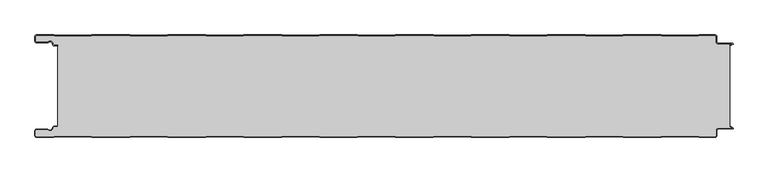
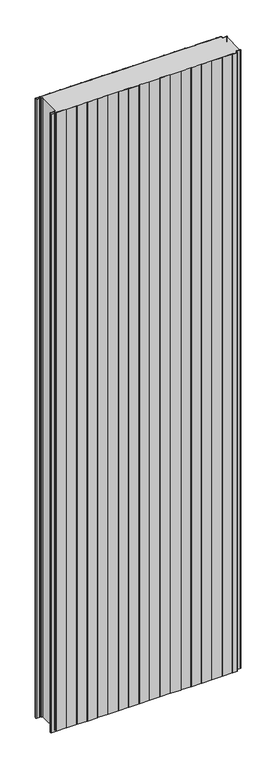
"""IFC4 building model written with IfcOpenShell, lengths in millimetres: plate geometry."""

import ifcopenshell
import ifcopenshell.guid

model = None  # the IFC model being written
_history = None  # IfcOwnerHistory: only IFC2X3 demands one
_inside = {}  # id of a spatial element -> (the spatial element, [elements in it])
_under = {}  # id of a project, library or spatial element -> (it, [spatial elements below it])
_declared = {}  # id of a project -> (the project, [libraries it declares])
_typed = {}  # id of a type object -> (the type object, [elements of that type])
_made_of = {}  # id of a material, layer set ... -> (it, [elements and type objects made of it])


def new_model(schema):
    """Start an empty IFC model of exactly this schema.

    Asked for "IFC4X3", IfcOpenShell would pick the latest addendum, in which some entities
    have other attributes; the version numbers below select the first issue.
    IFC2X3 requires an IfcOwnerHistory on every rooted entity: one is made here for all.
    """
    global model, _history
    if schema == "IFC4X3":
        model = ifcopenshell.file(schema_version=(4, 3, 0, 0))
    else:
        model = ifcopenshell.file(schema=schema)
    _inside.clear()
    _under.clear()
    _declared.clear()
    _typed.clear()
    _made_of.clear()
    _history = None
    if model.schema == "IFC2X3":
        org = make("IfcOrganization", Name="unknown")
        user = make(
            "IfcPersonAndOrganization",
            ThePerson=make("IfcPerson", FamilyName="unknown"),
            TheOrganization=org,
        )
        app = make(
            "IfcApplication",
            ApplicationDeveloper=org,
            Version="unknown",
            ApplicationFullName="unknown",
            ApplicationIdentifier="unknown",
        )
        _history = make(
            "IfcOwnerHistory",
            OwningUser=user,
            OwningApplication=app,
            ChangeAction="ADDED",
            CreationDate=0,
        )
    return model


def make(cls, **values):
    """One entity of the class cls with the attributes given. An attribute that is None is left unset."""
    return model.create_entity(
        cls, **{name: value for name, value in values.items() if value is not None}
    )


def rooted(cls, **values):
    """An entity with a GlobalId (a new one), such as an element, a storey or a relation."""
    return make(cls, GlobalId=ifcopenshell.guid.new(), OwnerHistory=_history, **values)


def si_unit(unit_type, name, prefix=None):
    """IfcSIUnit, for example si_unit("LENGTHUNIT", "METRE", prefix="MILLI")."""
    return make("IfcSIUnit", UnitType=unit_type, Prefix=prefix, Name=name)


def assignment(units):
    """IfcUnitAssignment: the units of a project."""
    return None if units is None else make("IfcUnitAssignment", Units=units)


def point(xyz):
    """IfcCartesianPoint."""
    return None if xyz is None else make("IfcCartesianPoint", Coordinates=xyz)


def direction(xyz):
    """IfcDirection."""
    return None if xyz is None else make("IfcDirection", DirectionRatios=xyz)


def frame(location, z_axis=None, x_axis=None):
    """IfcAxis2Placement3D, a coordinate frame: its origin and axes. An axis left out is left unset."""
    return make(
        "IfcAxis2Placement3D",
        Location=point(location),
        Axis=direction(z_axis),
        RefDirection=direction(x_axis),
    )


def frame_2d(location, x_axis=None):
    """IfcAxis2Placement2D, a coordinate frame in the plane: its origin and x axis."""
    return make(
        "IfcAxis2Placement2D", Location=point(location), RefDirection=direction(x_axis)
    )


def origin():
    """The frame at (0, 0, 0) with its axes left unset."""
    return frame((0.0, 0.0, 0.0))


def origin_with_axes():
    """The frame at (0, 0, 0) with the z axis (0, 0, 1) and the x axis (1, 0, 0) written out."""
    return frame((0.0, 0.0, 0.0), z_axis=(0.0, 0.0, 1.0), x_axis=(1.0, 0.0, 0.0))


def place(relative_to, where):
    """IfcLocalPlacement: puts the frame where relative to a parent placement (None: the world)."""
    return make(
        "IfcLocalPlacement", PlacementRelTo=relative_to, RelativePlacement=where
    )


def context(
    kind, dimensions, precision=None, world=None, true_north=None, identifier=None
):
    """IfcGeometricRepresentationContext, for example the 3D "Model" context."""
    return make(
        "IfcGeometricRepresentationContext",
        ContextIdentifier=identifier,
        ContextType=kind,
        CoordinateSpaceDimension=dimensions,
        Precision=precision,
        WorldCoordinateSystem=world,
        TrueNorth=true_north,
    )


def project(units=None, contexts=None):
    """IfcProject with its units and contexts."""
    return rooted(
        "IfcProject",
        Name="project",
        RepresentationContexts=contexts,
        UnitsInContext=assignment(units),
    )


def spatial(cls, under=None, at=None, **own):
    """A site, building, storey or space (cls), placed at a placement, below another one or the project."""
    s = rooted(cls, ObjectPlacement=at, **own)
    if under is not None:
        _under.setdefault(under.id(), (under, []))[1].append(s)
    return s


def polyline(points):
    """IfcPolyline through the points."""
    return make("IfcPolyline", Points=[point(p) for p in points])


def circle_curve(where, radius):
    """IfcCircle in the frame where."""
    return make("IfcCircle", Position=where, Radius=radius)


def trimmed(basis, trim1, trim2, sense, master):
    """IfcTrimmedCurve: the piece of a basis curve between two trims."""
    return make(
        "IfcTrimmedCurve",
        BasisCurve=basis,
        Trim1=trim1,
        Trim2=trim2,
        SenseAgreement=sense,
        MasterRepresentation=master,
    )


def segment(curve, same_sense, transition):
    """IfcCompositeCurveSegment."""
    return make(
        "IfcCompositeCurveSegment",
        Transition=transition,
        SameSense=same_sense,
        ParentCurve=curve,
    )


def composite_curve(segments, self_intersect=None):
    """IfcCompositeCurve: segments joined end to end."""
    return make("IfcCompositeCurve", Segments=segments, SelfIntersect=self_intersect)


def outline(outer, holes=None, kind="AREA"):
    """IfcArbitraryClosedProfileDef: a profile drawn as a closed curve; with holes, ...WithVoids."""
    if holes is None:
        return make("IfcArbitraryClosedProfileDef", ProfileType=kind, OuterCurve=outer)
    return make(
        "IfcArbitraryProfileDefWithVoids",
        ProfileType=kind,
        OuterCurve=outer,
        InnerCurves=holes,
    )


def extrude(swept, where, along, depth):
    """IfcExtrudedAreaSolid: the profile swept, set in the frame where, extruded along a direction by depth."""
    return make(
        "IfcExtrudedAreaSolid",
        SweptArea=swept,
        Position=where,
        ExtrudedDirection=direction(along),
        Depth=depth,
    )


def shape(context_of_items, identifier, shape_type, items):
    """IfcShapeRepresentation: the items that make up one representation, for example the "Body"."""
    return make(
        "IfcShapeRepresentation",
        ContextOfItems=context_of_items,
        RepresentationIdentifier=identifier,
        RepresentationType=shape_type,
        Items=items,
    )


def source(mapping_origin, context_of_items, identifier, shape_type, items):
    """IfcRepresentationMap: a shape defined once, which mapped items show again and again."""
    return make(
        "IfcRepresentationMap",
        MappingOrigin=mapping_origin,
        MappedRepresentation=shape(context_of_items, identifier, shape_type, items),
    )


def transform(
    local_origin,
    x_axis=None,
    y_axis=None,
    z_axis=None,
    scale=None,
    scale2=None,
    scale3=None,
    uniform=True,
):
    """IfcCartesianTransformationOperator3D, or its non-uniform kind. x_axis, y_axis, z_axis: its Axis1, 2, 3."""
    if uniform:
        return make(
            "IfcCartesianTransformationOperator3D",
            Axis1=direction(x_axis),
            Axis2=direction(y_axis),
            LocalOrigin=point(local_origin),
            Scale=scale,
            Axis3=direction(z_axis),
        )
    return make(
        "IfcCartesianTransformationOperator3DnonUniform",
        Axis1=direction(x_axis),
        Axis2=direction(y_axis),
        LocalOrigin=point(local_origin),
        Scale=scale,
        Axis3=direction(z_axis),
        Scale2=scale2,
        Scale3=scale3,
    )


def mapped(mapping_source, mapping_target):
    """IfcMappedItem: shows the shape of a source again, moved by a transform."""
    return make(
        "IfcMappedItem", MappingSource=mapping_source, MappingTarget=mapping_target
    )


def made_of(thing, what):
    """Note that an element or type object is made of a material, layer set ...; save() writes the relation."""
    if what is not None:
        _made_of.setdefault(what.id(), (what, []))[1].append(thing)
    return thing


def element(
    cls,
    number,
    at=None,
    inside=None,
    cuts=None,
    type_object=None,
    material=None,
    context=None,
    identifier="Body",
    shape_type=None,
    held_by="IfcProductDefinitionShape",
    body=None,
    shapes=None,
    **own,
):
    """One element of the class cls, such as IfcWall. Its Tag is "e" and its number.

    at: its placement. inside: the storey or other place that contains it. cuts: it is an
    opening in that element (IfcRelVoidsElement). A single representation is given by context,
    identifier, shape_type and body (its items); several are given by shapes. held_by: the class
    of the entity that holds the representations. save() writes the other relations.
    """
    e = rooted(cls, Tag="e%d" % number, ObjectPlacement=at, **own)
    if body is not None:
        shapes = [shape(context, identifier, shape_type, body)]
    if shapes is not None:
        e.Representation = make(held_by, Representations=shapes)
    if inside is not None:
        _inside.setdefault(inside.id(), (inside, []))[1].append(e)
    if cuts is not None:
        rooted(
            "IfcRelVoidsElement", RelatingBuildingElement=cuts, RelatedOpeningElement=e
        )
    if type_object is not None:
        _typed.setdefault(type_object.id(), (type_object, []))[1].append(e)
    return made_of(e, material)


def aggregate(whole, parts):
    """IfcRelAggregates: a whole, such as a stair, and the parts it consists of."""
    return rooted("IfcRelAggregates", RelatingObject=whole, RelatedObjects=parts)


def save(model, path):
    """Write the relations noted so far, then the file.

    IfcRelAggregates (storeys below a building ...), IfcRelContainedInSpatialStructure (elements
    in a storey), IfcRelDefinesByType, IfcRelAssociatesMaterial and IfcRelDeclares: one each for
    every whole, place, type object, material and project.
    """
    for whole, parts in _under.values():
        aggregate(whole, parts)
    for where, things in _inside.values():
        rooted(
            "IfcRelContainedInSpatialStructure",
            RelatedElements=things,
            RelatingStructure=where,
        )
    for kind, things in _typed.values():
        rooted("IfcRelDefinesByType", RelatedObjects=things, RelatingType=kind)
    for what, things in _made_of.values():
        rooted("IfcRelAssociatesMaterial", RelatedObjects=things, RelatingMaterial=what)
    for by, libraries in _declared.values():
        rooted("IfcRelDeclares", RelatingContext=by, RelatedDefinitions=libraries)
    model.write(path)


def plate_cd7e678b(model_context):
    return source(origin(), model_context, "Body", "SweptSolid", [
        extrude(outline(composite_curve([segment(trimmed(circle_curve(frame_2d((-497.49499, -9.0180361)), 2.50501), [point((-497.49499, -11.5230461))], [point((-500.0, -9.0180361))], False, "CARTESIAN"), True, "CONTINUOUS"), segment(polyline([(-500.0, -9.0180361), (-500.0, -2.50501)]), True, "CONTINUOUS"), segment(trimmed(circle_curve(frame_2d((-497.49499, -2.50501)), 2.50501), [point((-500.0, -2.50501))], [point((-497.49499, 0.0))], False, "CARTESIAN"), True, "CONTINUOUS"), segment(polyline([(-497.49499, 0.0), (-472.2103007, 0.0), (-471.028188, -0.6012024), (-417.6391467, -0.6012024), (-416.457034, 0.0), (-360.8776353, 0.0), (-359.6955227, -0.6012024), (-306.3064814, -0.6012024), (-305.1243687, 0.0), (-249.54497, 0.0), (-248.3628573, -0.6012024), (-194.973816, -0.6012024), (-193.7917033, 0.0), (-138.2123047, 0.0), (-137.030192, -0.6012024), (-83.6411507, -0.6012024), (-82.459038, 0.0), (-26.8796393, 0.0), (-25.6975267, -0.6012024), (27.6915146, -0.6012024), (28.8736273, 0.0), (84.453026, 0.0), (85.6351387, -0.6012024), (139.02418, -0.6012024), (140.2062927, 0.0), (195.7856913, 0.0), (196.967804, -0.6012024), (250.3568453, -0.6012024), (251.538958, 0.0), (307.1183566, 0.0), (308.3004693, -0.6012024), (361.6895106, -0.6012024), (362.8716233, 0.0), (418.451022, 0.0), (419.6331347, -0.6012024), (473.022176, -0.6012024), (474.2042886, 0.0), (497.49499, 0.0)]), True, "CONTINUOUS"), segment(trimmed(circle_curve(frame_2d((497.49499, -2.50501)), 2.50501), [point((497.49499, 0.0))], [point((500.0, -2.50501))], False, "CARTESIAN"), True, "CONTINUOUS"), segment(polyline([(500.0, -2.50501), (500.0, -10.0200401)]), True, "CONTINUOUS"), segment(trimmed(circle_curve(frame_2d((502.004008, -10.0200401)), 2.004008), [point((500.0, -10.0200401))], [point((502.004008, -12.0240481))], True, "CARTESIAN"), True, "CONTINUOUS"), segment(polyline([(502.004008, -12.0240481), (523.0460922, -12.0240481)]), True, "CONTINUOUS"), segment(trimmed(circle_curve(frame_2d((523.0460922, -13.0260521)), 1.002004), [point((523.0460922, -12.0240481))], [point((523.5470942, -13.893813))], False, "CARTESIAN"), True, "CONTINUOUS"), segment(polyline([(523.5470942, -13.893813), (519.5390782, -16.2078422), (519.1390782, -15.5150218), (522.183956, -13.7570608)]), True, "CONTINUOUS"), segment(trimmed(circle_curve(frame_2d((521.933956, -13.3240481)), 0.5), [point((522.183956, -13.7570608))], [point((521.933956, -12.8240481))], True, "CARTESIAN"), True, "CONTINUOUS"), segment(polyline([(521.933956, -12.8240481), (502.004008, -12.8240481)]), True, "CONTINUOUS"), segment(trimmed(circle_curve(frame_2d((502.004008, -10.0200401)), 2.804008), [point((502.004008, -12.8240481))], [point((499.2, -10.0200401))], False, "CARTESIAN"), True, "CONTINUOUS"), segment(polyline([(499.2, -10.0200401), (499.2, -2.50501)]), True, "CONTINUOUS"), segment(trimmed(circle_curve(frame_2d((497.49499, -2.50501)), 1.70501), [point((499.2, -2.50501))], [point((497.49499, -0.8))], True, "CARTESIAN"), True, "CONTINUOUS"), segment(polyline([(497.49499, -0.8), (474.396035, -0.8), (473.2139223, -1.4012024), (419.4413883, -1.4012024), (418.2592756, -0.8), (363.0633697, -0.8), (361.881257, -1.4012024), (308.108723, -1.4012024), (306.9266103, -0.8), (251.7307044, -0.8), (250.5485917, -1.4012024), (196.7760576, -1.4012024), (195.5939449, -0.8), (140.398039, -0.8), (139.2159263, -1.4012024), (85.4433923, -1.4012024), (84.2612796, -0.8), (29.0653737, -0.8), (27.883261, -1.4012024), (-25.889273, -1.4012024), (-27.0713857, -0.8), (-82.2672916, -0.8), (-83.4494043, -1.4012024), (-137.2219384, -1.4012024), (-138.4040511, -0.8), (-193.599957, -0.8), (-194.7820696, -1.4012024), (-248.5546037, -1.4012024), (-249.7367164, -0.8), (-304.9326223, -0.8), (-306.114735, -1.4012024), (-359.887269, -1.4012024), (-361.0693817, -0.8), (-416.2652876, -0.8), (-417.4474003, -1.4012024), (-471.2199344, -1.4012024), (-472.4020471, -0.8), (-497.49499, -0.8)]), True, "CONTINUOUS"), segment(trimmed(circle_curve(frame_2d((-497.49499, -2.50501)), 1.70501), [point((-497.49499, -0.8))], [point((-499.2, -2.50501))], True, "CARTESIAN"), True, "CONTINUOUS"), segment(polyline([(-499.2, -2.50501), (-499.2, -9.0180361)]), True, "CONTINUOUS"), segment(trimmed(circle_curve(frame_2d((-497.49499, -9.0180361)), 1.70501), [point((-499.2, -9.0180361))], [point((-497.49499, -10.7230461))], True, "CARTESIAN"), True, "CONTINUOUS"), segment(polyline([(-497.49499, -10.7230461), (-481.8173283, -10.7230461)]), True, "CONTINUOUS"), segment(trimmed(circle_curve(frame_2d((-481.8173283, -9.0180361)), 1.70501), [point((-481.8173283, -10.7230461))], [point((-480.6895701, -10.2967936))], True, "CARTESIAN"), True, "CONTINUOUS"), segment(trimmed(circle_curve(frame_2d((-477.8407481, -13.5270541)), 4.307014), [point((-480.6895701, -10.2967936))], [point((-473.7934788, -12.0539686))], False, "CARTESIAN"), True, "CONTINUOUS"), segment(polyline([(-473.7934788, -12.0539686), (-473.0450711, -14.1102019)]), True, "CONTINUOUS"), segment(trimmed(circle_curve(frame_2d((-471.4428858, -13.5270541)), 1.70501), [point((-473.0450711, -14.1102019))], [point((-471.4428858, -15.2320641))], True, "CARTESIAN"), True, "CONTINUOUS"), segment(polyline([(-471.4428858, -15.2320641), (-466.4328657, -15.2320641), (-466.4328657, -16.0320641), (-471.4428858, -16.0320641)]), True, "CONTINUOUS"), segment(trimmed(circle_curve(frame_2d((-471.4428858, -13.5270541)), 2.50501), [point((-471.4428858, -16.0320641))], [point((-473.7968252, -14.383818))], False, "CARTESIAN"), True, "CONTINUOUS"), segment(polyline([(-473.7968252, -14.383818), (-474.5452329, -12.3275847)]), True, "CONTINUOUS"), segment(trimmed(circle_curve(frame_2d((-477.8407481, -13.5270541)), 3.507014), [point((-474.5452329, -12.3275847))], [point((-480.1604199, -10.8967936))], True, "CARTESIAN"), True, "CONTINUOUS"), segment(trimmed(circle_curve(frame_2d((-481.8173283, -9.0180361)), 2.50501), [point((-480.1604199, -10.8967936))], [point((-481.8173283, -11.5230461))], False, "CARTESIAN"), True, "CONTINUOUS"), segment(polyline([(-481.8173283, -11.5230461), (-497.49499, -11.5230461)]), True, "CONTINUOUS")], self_intersect=False)), origin_with_axes(), (0.0, 0.0, 1.0), 3500.0),
        extrude(outline(composite_curve([segment(trimmed(circle_curve(frame_2d((-471.4428858, -13.5270541)), 1.70501), [point((-471.4428858, -15.2320641))], [point((-473.0450711, -14.1102019))], False, "CARTESIAN"), True, "CONTINUOUS"), segment(polyline([(-473.0450711, -14.1102019), (-473.7934788, -12.0539686)]), True, "CONTINUOUS"), segment(trimmed(circle_curve(frame_2d((-477.8407481, -13.5270541)), 4.307014), [point((-473.7934788, -12.0539686))], [point((-480.6895701, -10.2967936))], True, "CARTESIAN"), True, "CONTINUOUS"), segment(trimmed(circle_curve(frame_2d((-481.8173283, -9.0180361)), 1.70501), [point((-480.6895701, -10.2967936))], [point((-481.8173283, -10.7230461))], False, "CARTESIAN"), True, "CONTINUOUS"), segment(polyline([(-481.8173283, -10.7230461), (-497.49499, -10.7230461)]), True, "CONTINUOUS"), segment(trimmed(circle_curve(frame_2d((-497.49499, -9.0180361)), 1.70501), [point((-497.49499, -10.7230461))], [point((-499.2, -9.0180361))], False, "CARTESIAN"), True, "CONTINUOUS"), segment(polyline([(-499.2, -9.0180361), (-499.2, -2.50501)]), True, "CONTINUOUS"), segment(trimmed(circle_curve(frame_2d((-497.49499, -2.50501)), 1.70501), [point((-499.2, -2.50501))], [point((-497.49499, -0.8))], False, "CARTESIAN"), True, "CONTINUOUS"), segment(polyline([(-497.49499, -0.8), (-472.4020471, -0.8), (-471.2199344, -1.4012024), (-417.4474003, -1.4012024), (-416.2652876, -0.8), (-361.0693817, -0.8), (-359.887269, -1.4012024), (-306.114735, -1.4012024), (-304.9326223, -0.8), (-249.7367164, -0.8), (-248.5546037, -1.4012024), (-194.7820696, -1.4012024), (-193.599957, -0.8), (-138.4040511, -0.8), (-137.2219384, -1.4012024), (-83.4494043, -1.4012024), (-82.2672916, -0.8), (-27.0713857, -0.8), (-25.889273, -1.4012024), (27.883261, -1.4012024), (29.0653737, -0.8), (84.2612796, -0.8), (85.4433923, -1.4012024), (139.2159263, -1.4012024), (140.398039, -0.8), (195.5939449, -0.8), (196.7760576, -1.4012024), (250.5485917, -1.4012024), (251.7307044, -0.8), (306.9266103, -0.8), (308.108723, -1.4012024), (361.881257, -1.4012024), (363.0633697, -0.8), (418.2592756, -0.8), (419.4413883, -1.4012024), (473.2139223, -1.4012024), (474.396035, -0.8), (497.49499, -0.8)]), True, "CONTINUOUS"), segment(trimmed(circle_curve(frame_2d((497.49499, -2.50501)), 1.70501), [point((497.49499, -0.8))], [point((499.2, -2.50501))], False, "CARTESIAN"), True, "CONTINUOUS"), segment(polyline([(499.2, -2.50501), (499.2, -10.0200401)]), True, "CONTINUOUS"), segment(trimmed(circle_curve(frame_2d((502.004008, -10.0200401)), 2.804008), [point((499.2, -10.0200401))], [point((502.004008, -12.8240481))], True, "CARTESIAN"), True, "CONTINUOUS"), segment(polyline([(502.004008, -12.8240481), (521.933956, -12.8240481)]), True, "CONTINUOUS"), segment(trimmed(circle_curve(frame_2d((521.933956, -13.3240481)), 0.5), [point((521.933956, -12.8240481))], [point((522.183956, -13.7570608))], False, "CARTESIAN"), True, "CONTINUOUS"), segment(polyline([(522.183956, -13.7570608), (519.1390782, -15.5150218), (519.1390782, -134.4849782), (522.183956, -136.2429392)]), True, "CONTINUOUS"), segment(trimmed(circle_curve(frame_2d((521.933956, -136.6759519)), 0.5), [point((522.183956, -136.2429392))], [point((521.933956, -137.1759519))], False, "CARTESIAN"), True, "CONTINUOUS"), segment(polyline([(521.933956, -137.1759519), (502.004008, -137.1759519)]), True, "CONTINUOUS"), segment(trimmed(circle_curve(frame_2d((502.004008, -139.9799599)), 2.804008), [point((502.004008, -137.1759519))], [point((499.2, -139.9799599))], True, "CARTESIAN"), True, "CONTINUOUS"), segment(polyline([(499.2, -139.9799599), (499.2, -147.49499)]), True, "CONTINUOUS"), segment(trimmed(circle_curve(frame_2d((497.49499, -147.49499)), 1.70501), [point((499.2, -147.49499))], [point((497.49499, -149.2))], False, "CARTESIAN"), True, "CONTINUOUS"), segment(polyline([(497.49499, -149.2), (474.396035, -149.2), (473.2139223, -148.5987976), (419.4413883, -148.5987976), (418.2592756, -149.2), (363.0633697, -149.2), (361.881257, -148.5987976), (308.108723, -148.5987976), (306.9266103, -149.2), (251.7307044, -149.2), (250.5485917, -148.5987976), (196.7760576, -148.5987976), (195.5939449, -149.2), (140.398039, -149.2), (139.2159263, -148.5987976), (85.4433923, -148.5987976), (84.2612796, -149.2), (29.0653737, -149.2), (27.883261, -148.5987976), (-25.889273, -148.5987976), (-27.0713857, -149.2), (-82.2672916, -149.2), (-83.4494043, -148.5987976), (-137.2219384, -148.5987976), (-138.4040511, -149.2), (-193.599957, -149.2), (-194.7820696, -148.5987976), (-248.5546037, -148.5987976), (-249.7367164, -149.2), (-304.9326223, -149.2), (-306.114735, -148.5987976), (-359.887269, -148.5987976), (-361.0693817, -149.2), (-416.2652876, -149.2), (-417.4474003, -148.5987976), (-471.2199344, -148.5987976), (-472.4020471, -149.2), (-497.49499, -149.2)]), True, "CONTINUOUS"), segment(trimmed(circle_curve(frame_2d((-497.49499, -147.49499)), 1.70501), [point((-497.49499, -149.2))], [point((-499.2, -147.49499))], False, "CARTESIAN"), True, "CONTINUOUS"), segment(polyline([(-499.2, -147.49499), (-499.2, -140.9819639)]), True, "CONTINUOUS"), segment(trimmed(circle_curve(frame_2d((-497.49499, -140.9819639)), 1.70501), [point((-499.2, -140.9819639))], [point((-497.49499, -139.2769539))], False, "CARTESIAN"), True, "CONTINUOUS"), segment(polyline([(-497.49499, -139.2769539), (-481.8173283, -139.2769539)]), True, "CONTINUOUS"), segment(trimmed(circle_curve(frame_2d((-481.8173283, -140.9819639)), 1.70501), [point((-481.8173283, -139.2769539))], [point((-480.6895701, -139.7032064))], False, "CARTESIAN"), True, "CONTINUOUS"), segment(trimmed(circle_curve(frame_2d((-477.8407481, -136.4729459)), 4.307014), [point((-480.6895701, -139.7032064))], [point((-473.7934788, -137.9460314))], True, "CARTESIAN"), True, "CONTINUOUS"), segment(polyline([(-473.7934788, -137.9460314), (-473.0450711, -135.8897981)]), True, "CONTINUOUS"), segment(trimmed(circle_curve(frame_2d((-471.4428858, -136.4729459)), 1.70501), [point((-473.0450711, -135.8897981))], [point((-471.4428858, -134.7679359))], False, "CARTESIAN"), True, "CONTINUOUS"), segment(polyline([(-471.4428858, -134.7679359), (-466.4328657, -134.7679359), (-466.4328657, -15.2320641), (-471.4428858, -15.2320641)]), True, "CONTINUOUS")], self_intersect=False)), origin_with_axes(), (0.0, 0.0, 1.0), 3500.0),
        extrude(outline(composite_curve([segment(polyline([(-497.49499, -138.4769539), (-481.8173283, -138.4769539)]), True, "CONTINUOUS"), segment(trimmed(circle_curve(frame_2d((-481.8173283, -140.9819639)), 2.50501), [point((-481.8173283, -138.4769539))], [point((-480.1604199, -139.1032064))], False, "CARTESIAN"), True, "CONTINUOUS"), segment(trimmed(circle_curve(frame_2d((-477.8407481, -136.4729459)), 3.507014), [point((-480.1604199, -139.1032064))], [point((-474.5452329, -137.6724153))], True, "CARTESIAN"), True, "CONTINUOUS"), segment(polyline([(-474.5452329, -137.6724153), (-473.7968252, -135.616182)]), True, "CONTINUOUS"), segment(trimmed(circle_curve(frame_2d((-471.4428858, -136.4729459)), 2.50501), [point((-473.7968252, -135.616182))], [point((-471.4428858, -133.9679359))], False, "CARTESIAN"), True, "CONTINUOUS"), segment(polyline([(-471.4428858, -133.9679359), (-466.4328657, -133.9679359), (-466.4328657, -134.7679359), (-471.4428858, -134.7679359)]), True, "CONTINUOUS"), segment(trimmed(circle_curve(frame_2d((-471.4428858, -136.4729459)), 1.70501), [point((-471.4428858, -134.7679359))], [point((-473.0450711, -135.8897981))], True, "CARTESIAN"), True, "CONTINUOUS"), segment(polyline([(-473.0450711, -135.8897981), (-473.7934788, -137.9460314)]), True, "CONTINUOUS"), segment(trimmed(circle_curve(frame_2d((-477.8407481, -136.4729459)), 4.307014), [point((-473.7934788, -137.9460314))], [point((-480.6895701, -139.7032064))], False, "CARTESIAN"), True, "CONTINUOUS"), segment(trimmed(circle_curve(frame_2d((-481.8173283, -140.9819639)), 1.70501), [point((-480.6895701, -139.7032064))], [point((-481.8173283, -139.2769539))], True, "CARTESIAN"), True, "CONTINUOUS"), segment(polyline([(-481.8173283, -139.2769539), (-497.49499, -139.2769539)]), True, "CONTINUOUS"), segment(trimmed(circle_curve(frame_2d((-497.49499, -140.9819639)), 1.70501), [point((-497.49499, -139.2769539))], [point((-499.2, -140.9819639))], True, "CARTESIAN"), True, "CONTINUOUS"), segment(polyline([(-499.2, -140.9819639), (-499.2, -147.49499)]), True, "CONTINUOUS"), segment(trimmed(circle_curve(frame_2d((-497.49499, -147.49499)), 1.70501), [point((-499.2, -147.49499))], [point((-497.49499, -149.2))], True, "CARTESIAN"), True, "CONTINUOUS"), segment(polyline([(-497.49499, -149.2), (-472.4020471, -149.2), (-471.2199344, -148.5987976), (-417.4474003, -148.5987976), (-416.2652876, -149.2), (-361.0693817, -149.2), (-359.887269, -148.5987976), (-306.114735, -148.5987976), (-304.9326223, -149.2), (-249.7367164, -149.2), (-248.5546037, -148.5987976), (-194.7820696, -148.5987976), (-193.599957, -149.2), (-138.4040511, -149.2), (-137.2219384, -148.5987976), (-83.4494043, -148.5987976), (-82.2672916, -149.2), (-27.0713857, -149.2), (-25.889273, -148.5987976), (27.883261, -148.5987976), (29.0653737, -149.2), (84.2612796, -149.2), (85.4433923, -148.5987976), (139.2159263, -148.5987976), (140.398039, -149.2), (195.5939449, -149.2), (196.7760576, -148.5987976), (250.5485917, -148.5987976), (251.7307044, -149.2), (306.9266103, -149.2), (308.108723, -148.5987976), (361.881257, -148.5987976), (363.0633697, -149.2), (418.2592756, -149.2), (419.4413883, -148.5987976), (473.2139223, -148.5987976), (474.396035, -149.2), (497.49499, -149.2)]), True, "CONTINUOUS"), segment(trimmed(circle_curve(frame_2d((497.49499, -147.49499)), 1.70501), [point((497.49499, -149.2))], [point((499.2, -147.49499))], True, "CARTESIAN"), True, "CONTINUOUS"), segment(polyline([(499.2, -147.49499), (499.2, -139.9799599)]), True, "CONTINUOUS"), segment(trimmed(circle_curve(frame_2d((502.004008, -139.9799599)), 2.804008), [point((499.2, -139.9799599))], [point((502.004008, -137.1759519))], False, "CARTESIAN"), True, "CONTINUOUS"), segment(polyline([(502.004008, -137.1759519), (521.933956, -137.1759519)]), True, "CONTINUOUS"), segment(trimmed(circle_curve(frame_2d((521.933956, -136.6759519)), 0.5), [point((521.933956, -137.1759519))], [point((522.183956, -136.2429392))], True, "CARTESIAN"), True, "CONTINUOUS"), segment(polyline([(522.183956, -136.2429392), (519.1390782, -134.4849782), (519.5390782, -133.7921578), (523.5470942, -136.106187)]), True, "CONTINUOUS"), segment(trimmed(circle_curve(frame_2d((523.0460922, -136.9739479)), 1.002004), [point((523.5470942, -136.106187))], [point((523.0460922, -137.9759519))], False, "CARTESIAN"), True, "CONTINUOUS"), segment(polyline([(523.0460922, -137.9759519), (502.004008, -137.9759519)]), True, "CONTINUOUS"), segment(trimmed(circle_curve(frame_2d((502.004008, -139.9799599)), 2.004008), [point((502.004008, -137.9759519))], [point((500.0, -139.9799599))], True, "CARTESIAN"), True, "CONTINUOUS"), segment(polyline([(500.0, -139.9799599), (500.0, -147.49499)]), True, "CONTINUOUS"), segment(trimmed(circle_curve(frame_2d((497.49499, -147.49499)), 2.50501), [point((500.0, -147.49499))], [point((497.49499, -150.0))], False, "CARTESIAN"), True, "CONTINUOUS"), segment(polyline([(497.49499, -150.0), (474.2042886, -150.0), (473.022176, -149.3987976), (419.6331347, -149.3987976), (418.451022, -150.0), (362.8716233, -150.0), (361.6895106, -149.3987976), (308.3004693, -149.3987976), (307.1183566, -150.0), (251.538958, -150.0), (250.3568453, -149.3987976), (196.967804, -149.3987976), (195.7856913, -150.0), (140.2062927, -150.0), (139.02418, -149.3987976), (85.6351387, -149.3987976), (84.453026, -150.0), (28.8736273, -150.0), (27.6915146, -149.3987976), (-25.6975267, -149.3987976), (-26.8796393, -150.0), (-82.459038, -150.0), (-83.6411507, -149.3987976), (-137.030192, -149.3987976), (-138.2123047, -150.0), (-193.7917033, -150.0), (-194.973816, -149.3987976), (-248.3628573, -149.3987976), (-249.54497, -150.0), (-305.1243687, -150.0), (-306.3064814, -149.3987976), (-359.6955227, -149.3987976), (-360.8776353, -150.0), (-416.457034, -150.0), (-417.6391467, -149.3987976), (-471.028188, -149.3987976), (-472.2103007, -150.0), (-497.49499, -150.0)]), True, "CONTINUOUS"), segment(trimmed(circle_curve(frame_2d((-497.49499, -147.49499)), 2.50501), [point((-497.49499, -150.0))], [point((-500.0, -147.49499))], False, "CARTESIAN"), True, "CONTINUOUS"), segment(polyline([(-500.0, -147.49499), (-500.0, -140.9819639)]), True, "CONTINUOUS"), segment(trimmed(circle_curve(frame_2d((-497.49499, -140.9819639)), 2.50501), [point((-500.0, -140.9819639))], [point((-497.49499, -138.4769539))], False, "CARTESIAN"), True, "CONTINUOUS")], self_intersect=False)), origin_with_axes(), (0.0, 0.0, 1.0), 3500.0),
    ])


if __name__ == "__main__":
    model = new_model("IFC4")
    model_context = context("Model", 3, world=origin())
    ifc_project = project(units=[si_unit("LENGTHUNIT", "METRE", prefix="MILLI")], contexts=[model_context])
    site = spatial("IfcSite", under=ifc_project)
    building = spatial("IfcBuilding", under=site)
    placement = place(None, origin())
    plate_shape = plate_cd7e678b(model_context)
    element("IfcPlate", 1, at=placement, inside=building, context=model_context, shape_type="MappedRepresentation", body=[
        mapped(plate_shape, transform((0.0, 0.0, 0.0), x_axis=(1.0, 0.0, 0.0), y_axis=(0.0, 1.0, 0.0), z_axis=(0.0, 0.0, 1.0))),
    ])
    save(model, "model.ifc")
